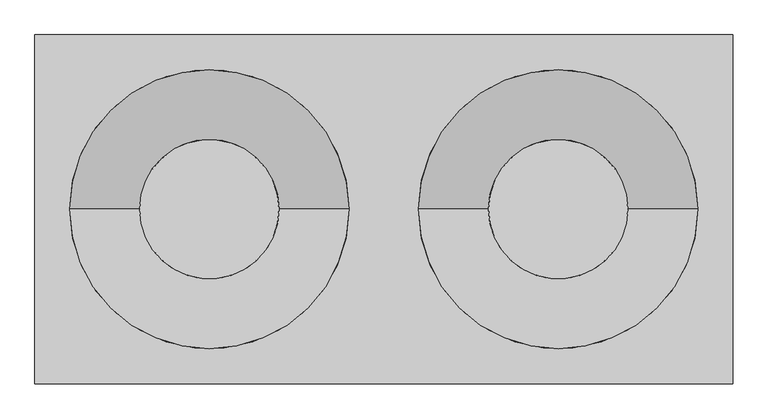
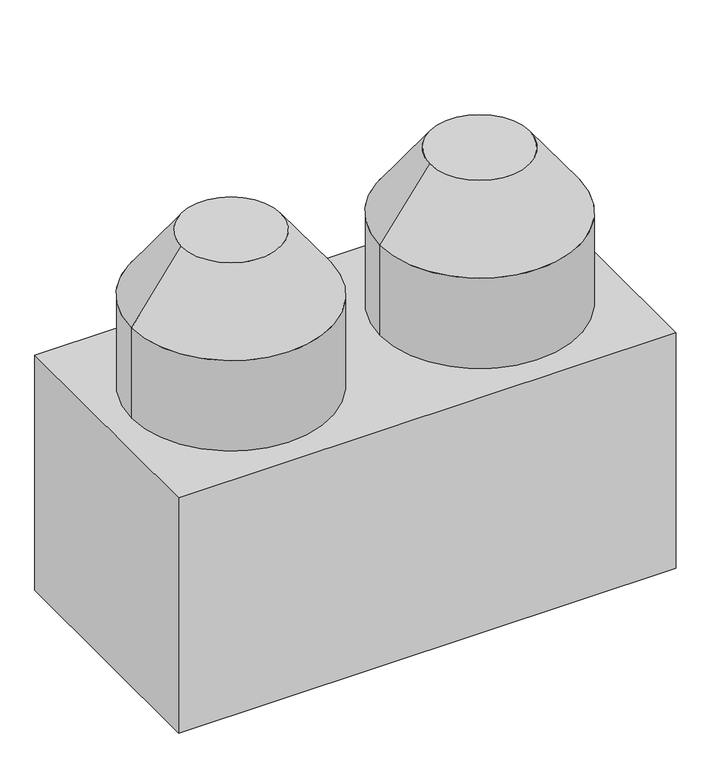
"""IFC4 building model written with IfcOpenShell, lengths in millimetres: proxy geometry."""

from ifc_helpers import new_model, si_unit, point, frame, frame_2d, origin, origin_with_axes, place, context, project, spatial, polyline, circle_curve, trimmed, segment, composite_curve, outline, extrude, source, transform, mapped, element, save
from ifc_brep_helpers import plane_surface, revolved_surface, advanced_brep


def generic_models_4fa7e81b(model_context):
    return source(origin(), model_context, "Body", "SolidModel", [
        advanced_brep(
        [(41300.0, 70500.0, 1659.8528433), (41700.0, 70500.0, 1659.8528433), (41100.0, 70500.0, 1384.3907734), (41900.0, 70500.0, 1384.3907734)],
        [
            (0, 1, circle_curve(frame((41500.0, 70500.0, 1659.8528433), z_axis=(0.0, 0.0, 1.0), x_axis=(-1.0, 0.0, 0.0)), 200.0)),
            (1, 0, circle_curve(frame((41500.0, 70500.0, 1659.8528433), z_axis=(0.0, 0.0, 1.0), x_axis=(1.0, 0.0, 0.0)), 200.0)),
            (2, 3, circle_curve(frame((41500.0, 70500.0, 1384.3907734), z_axis=(0.0, 0.0, -1.0), x_axis=(1.0, 0.0, 0.0)), 400.0)),
            (3, 2, circle_curve(frame((41500.0, 70500.0, 1384.3907734), z_axis=(0.0, 0.0, -1.0), x_axis=(-1.0, 0.0, 0.0)), 400.0)),
            (3, 1),
            (0, 2),
        ],
        [
            plane_surface(frame((41500.0, 70500.0, 1659.8528433), z_axis=(0.0, 0.0, 1.0), x_axis=(0.0, -1.0, 0.0))),
            plane_surface(frame((41500.0, 70500.0, 1384.3907734), z_axis=(0.0, 0.0, -1.0), x_axis=(0.0, -1.0, 0.0))),
            revolved_surface(polyline([(41300.0000000363, 70500.0, 1659.8528433), (41100.0, 70500.0, 1384.3907734)]), (41500.0, 70500.0, 1935.3149131), (0.0, 0.0, -1.0)),
            revolved_surface(polyline([(41699.9999999637, 70500.0, 1659.8528433), (41900.0, 70500.0, 1384.3907734)]), (41500.0, 70500.0, 1935.3149131), (0.0, 0.0, -1.0)),
        ],
        [
            (0, [[1, 2]]),
            (1, [[3, 4]]),
            (2, [[-4, 5, -1, 6]]),
            (3, [[-3, -6, -2, -5]]),
        ],
    ),
        extrude(outline(composite_curve([segment(trimmed(circle_curve(frame_2d((41500.0, 70500.0)), 400.0), [point((41100.0, 70500.0))], [point((41900.0, 70500.0))], False, "CARTESIAN"), True, "CONTINUOUS"), segment(trimmed(circle_curve(frame_2d((41500.0, 70500.0)), 400.0), [point((41900.0, 70500.0))], [point((41100.0, 70500.0))], False, "CARTESIAN"), True, "CONTINUOUS")], self_intersect=False)), frame((0.0, 0.0, 1000.0), z_axis=(0.0, 0.0, 1.0), x_axis=(1.0, 0.0, 0.0)), (0.0, 0.0, 1.0), 384.3907734),
        advanced_brep(
        [(40300.0, 70500.0, 1659.8528433), (40700.0, 70500.0, 1659.8528433), (40100.0, 70500.0, 1384.3907734), (40900.0, 70500.0, 1384.3907734)],
        [
            (0, 1, circle_curve(frame((40500.0, 70500.0, 1659.8528433), z_axis=(0.0, 0.0, 1.0), x_axis=(-1.0, 0.0, 0.0)), 200.0)),
            (1, 0, circle_curve(frame((40500.0, 70500.0, 1659.8528433), z_axis=(0.0, 0.0, 1.0), x_axis=(1.0, 0.0, 0.0)), 200.0)),
            (2, 3, circle_curve(frame((40500.0, 70500.0, 1384.3907734), z_axis=(0.0, 0.0, -1.0), x_axis=(1.0, 0.0, 0.0)), 400.0)),
            (3, 2, circle_curve(frame((40500.0, 70500.0, 1384.3907734), z_axis=(0.0, 0.0, -1.0), x_axis=(-1.0, 0.0, 0.0)), 400.0)),
            (3, 1),
            (0, 2),
        ],
        [
            plane_surface(frame((40500.0, 70500.0, 1659.8528433), z_axis=(0.0, 0.0, 1.0), x_axis=(0.0, -1.0, 0.0))),
            plane_surface(frame((40500.0, 70500.0, 1384.3907734), z_axis=(0.0, 0.0, -1.0), x_axis=(0.0, -1.0, 0.0))),
            revolved_surface(polyline([(40300.0000000363, 70500.0, 1659.8528433), (40100.0, 70500.0, 1384.3907734)]), (40500.0, 70500.0, 1935.3149131), (0.0, 0.0, -1.0)),
            revolved_surface(polyline([(40699.9999999637, 70500.0, 1659.8528433), (40900.0, 70500.0, 1384.3907734)]), (40500.0, 70500.0, 1935.3149131), (0.0, 0.0, -1.0)),
        ],
        [
            (0, [[1, 2]]),
            (1, [[3, 4]]),
            (2, [[-4, 5, -1, 6]]),
            (3, [[-3, -6, -2, -5]]),
        ],
    ),
        extrude(outline(composite_curve([segment(trimmed(circle_curve(frame_2d((40500.0, 70500.0)), 400.0), [point((40100.0, 70500.0))], [point((40900.0, 70500.0))], False, "CARTESIAN"), True, "CONTINUOUS"), segment(trimmed(circle_curve(frame_2d((40500.0, 70500.0)), 400.0), [point((40900.0, 70500.0))], [point((40100.0, 70500.0))], False, "CARTESIAN"), True, "CONTINUOUS")], self_intersect=False)), frame((0.0, 0.0, 1000.0), z_axis=(0.0, 0.0, 1.0), x_axis=(1.0, 0.0, 0.0)), (0.0, 0.0, 1.0), 384.3907734),
        extrude(outline(polyline([(42000.0, 70000.0), (40000.0, 70000.0), (40000.0, 71000.0), (42000.0, 71000.0), (42000.0, 70000.0)])), origin_with_axes(), (0.0, 0.0, 1.0), 1000.0),
    ])


if __name__ == "__main__":
    model = new_model("IFC4")
    model_context = context("Model", 3, world=origin())
    ifc_project = project(units=[si_unit("LENGTHUNIT", "METRE", prefix="MILLI")], contexts=[model_context])
    site = spatial("IfcSite", under=ifc_project)
    building = spatial("IfcBuilding", under=site)
    placement = place(None, origin())
    generic_models_shape = generic_models_4fa7e81b(model_context)
    element("IfcBuildingElementProxy", 1, Name="Generic Models", at=placement, inside=building, context=model_context, shape_type="MappedRepresentation", body=[
        mapped(generic_models_shape, transform((0.0, 0.0, 0.0), x_axis=(1.0, 0.0, 0.0), y_axis=(0.0, 1.0, 0.0), z_axis=(0.0, 0.0, 1.0))),
    ])
    save(model, "model.ifc")
